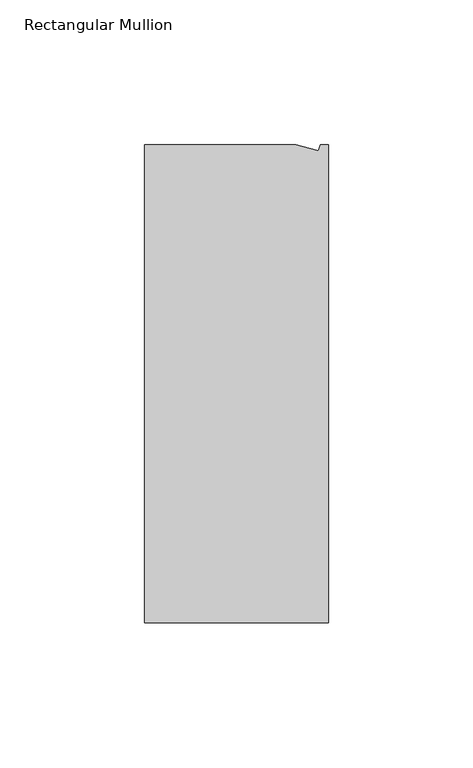
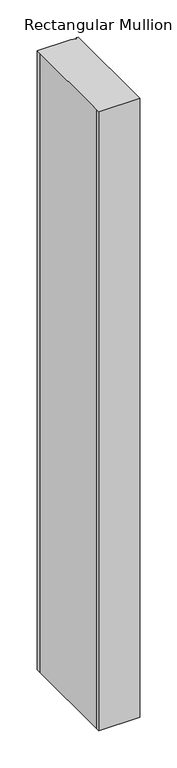
"""IFC4 building model written with IfcOpenShell, lengths in millimetres: member geometry, Rectangular Mullion."""

import ifcopenshell
import ifcopenshell.guid

model = None  # the IFC model being written
_history = None  # IfcOwnerHistory: only IFC2X3 demands one
_inside = {}  # id of a spatial element -> (the spatial element, [elements in it])
_under = {}  # id of a project, library or spatial element -> (it, [spatial elements below it])
_declared = {}  # id of a project -> (the project, [libraries it declares])
_typed = {}  # id of a type object -> (the type object, [elements of that type])
_made_of = {}  # id of a material, layer set ... -> (it, [elements and type objects made of it])


def new_model(schema):
    """Start an empty IFC model of exactly this schema.

    Asked for "IFC4X3", IfcOpenShell would pick the latest addendum, in which some entities
    have other attributes; the version numbers below select the first issue.
    IFC2X3 requires an IfcOwnerHistory on every rooted entity: one is made here for all.
    """
    global model, _history
    if schema == "IFC4X3":
        model = ifcopenshell.file(schema_version=(4, 3, 0, 0))
    else:
        model = ifcopenshell.file(schema=schema)
    _inside.clear()
    _under.clear()
    _declared.clear()
    _typed.clear()
    _made_of.clear()
    _history = None
    if model.schema == "IFC2X3":
        org = make("IfcOrganization", Name="unknown")
        user = make(
            "IfcPersonAndOrganization",
            ThePerson=make("IfcPerson", FamilyName="unknown"),
            TheOrganization=org,
        )
        app = make(
            "IfcApplication",
            ApplicationDeveloper=org,
            Version="unknown",
            ApplicationFullName="unknown",
            ApplicationIdentifier="unknown",
        )
        _history = make(
            "IfcOwnerHistory",
            OwningUser=user,
            OwningApplication=app,
            ChangeAction="ADDED",
            CreationDate=0,
        )
    return model


def make(cls, **values):
    """One entity of the class cls with the attributes given. An attribute that is None is left unset."""
    return model.create_entity(
        cls, **{name: value for name, value in values.items() if value is not None}
    )


def rooted(cls, **values):
    """An entity with a GlobalId (a new one), such as an element, a storey or a relation."""
    return make(cls, GlobalId=ifcopenshell.guid.new(), OwnerHistory=_history, **values)


def si_unit(unit_type, name, prefix=None):
    """IfcSIUnit, for example si_unit("LENGTHUNIT", "METRE", prefix="MILLI")."""
    return make("IfcSIUnit", UnitType=unit_type, Prefix=prefix, Name=name)


def assignment(units):
    """IfcUnitAssignment: the units of a project."""
    return None if units is None else make("IfcUnitAssignment", Units=units)


def point(xyz):
    """IfcCartesianPoint."""
    return None if xyz is None else make("IfcCartesianPoint", Coordinates=xyz)


def direction(xyz):
    """IfcDirection."""
    return None if xyz is None else make("IfcDirection", DirectionRatios=xyz)


def frame(location, z_axis=None, x_axis=None):
    """IfcAxis2Placement3D, a coordinate frame: its origin and axes. An axis left out is left unset."""
    return make(
        "IfcAxis2Placement3D",
        Location=point(location),
        Axis=direction(z_axis),
        RefDirection=direction(x_axis),
    )


def origin():
    """The frame at (0, 0, 0) with its axes left unset."""
    return frame((0.0, 0.0, 0.0))


def place(relative_to, where):
    """IfcLocalPlacement: puts the frame where relative to a parent placement (None: the world)."""
    return make(
        "IfcLocalPlacement", PlacementRelTo=relative_to, RelativePlacement=where
    )


def context(
    kind, dimensions, precision=None, world=None, true_north=None, identifier=None
):
    """IfcGeometricRepresentationContext, for example the 3D "Model" context."""
    return make(
        "IfcGeometricRepresentationContext",
        ContextIdentifier=identifier,
        ContextType=kind,
        CoordinateSpaceDimension=dimensions,
        Precision=precision,
        WorldCoordinateSystem=world,
        TrueNorth=true_north,
    )


def project(units=None, contexts=None):
    """IfcProject with its units and contexts."""
    return rooted(
        "IfcProject",
        Name="project",
        RepresentationContexts=contexts,
        UnitsInContext=assignment(units),
    )


def spatial(cls, under=None, at=None, **own):
    """A site, building, storey or space (cls), placed at a placement, below another one or the project."""
    s = rooted(cls, ObjectPlacement=at, **own)
    if under is not None:
        _under.setdefault(under.id(), (under, []))[1].append(s)
    return s


def polyline(points):
    """IfcPolyline through the points."""
    return make("IfcPolyline", Points=[point(p) for p in points])


def outline(outer, holes=None, kind="AREA"):
    """IfcArbitraryClosedProfileDef: a profile drawn as a closed curve; with holes, ...WithVoids."""
    if holes is None:
        return make("IfcArbitraryClosedProfileDef", ProfileType=kind, OuterCurve=outer)
    return make(
        "IfcArbitraryProfileDefWithVoids",
        ProfileType=kind,
        OuterCurve=outer,
        InnerCurves=holes,
    )


def extrude(swept, where, along, depth):
    """IfcExtrudedAreaSolid: the profile swept, set in the frame where, extruded along a direction by depth."""
    return make(
        "IfcExtrudedAreaSolid",
        SweptArea=swept,
        Position=where,
        ExtrudedDirection=direction(along),
        Depth=depth,
    )


def shape(context_of_items, identifier, shape_type, items):
    """IfcShapeRepresentation: the items that make up one representation, for example the "Body"."""
    return make(
        "IfcShapeRepresentation",
        ContextOfItems=context_of_items,
        RepresentationIdentifier=identifier,
        RepresentationType=shape_type,
        Items=items,
    )


def source(mapping_origin, context_of_items, identifier, shape_type, items):
    """IfcRepresentationMap: a shape defined once, which mapped items show again and again."""
    return make(
        "IfcRepresentationMap",
        MappingOrigin=mapping_origin,
        MappedRepresentation=shape(context_of_items, identifier, shape_type, items),
    )


def transform(
    local_origin,
    x_axis=None,
    y_axis=None,
    z_axis=None,
    scale=None,
    scale2=None,
    scale3=None,
    uniform=True,
):
    """IfcCartesianTransformationOperator3D, or its non-uniform kind. x_axis, y_axis, z_axis: its Axis1, 2, 3."""
    if uniform:
        return make(
            "IfcCartesianTransformationOperator3D",
            Axis1=direction(x_axis),
            Axis2=direction(y_axis),
            LocalOrigin=point(local_origin),
            Scale=scale,
            Axis3=direction(z_axis),
        )
    return make(
        "IfcCartesianTransformationOperator3DnonUniform",
        Axis1=direction(x_axis),
        Axis2=direction(y_axis),
        LocalOrigin=point(local_origin),
        Scale=scale,
        Axis3=direction(z_axis),
        Scale2=scale2,
        Scale3=scale3,
    )


def mapped(mapping_source, mapping_target):
    """IfcMappedItem: shows the shape of a source again, moved by a transform."""
    return make(
        "IfcMappedItem", MappingSource=mapping_source, MappingTarget=mapping_target
    )


def made_of(thing, what):
    """Note that an element or type object is made of a material, layer set ...; save() writes the relation."""
    if what is not None:
        _made_of.setdefault(what.id(), (what, []))[1].append(thing)
    return thing


def element(
    cls,
    number,
    at=None,
    inside=None,
    cuts=None,
    type_object=None,
    material=None,
    context=None,
    identifier="Body",
    shape_type=None,
    held_by="IfcProductDefinitionShape",
    body=None,
    shapes=None,
    **own,
):
    """One element of the class cls, such as IfcWall. Its Tag is "e" and its number.

    at: its placement. inside: the storey or other place that contains it. cuts: it is an
    opening in that element (IfcRelVoidsElement). A single representation is given by context,
    identifier, shape_type and body (its items); several are given by shapes. held_by: the class
    of the entity that holds the representations. save() writes the other relations.
    """
    e = rooted(cls, Tag="e%d" % number, ObjectPlacement=at, **own)
    if body is not None:
        shapes = [shape(context, identifier, shape_type, body)]
    if shapes is not None:
        e.Representation = make(held_by, Representations=shapes)
    if inside is not None:
        _inside.setdefault(inside.id(), (inside, []))[1].append(e)
    if cuts is not None:
        rooted(
            "IfcRelVoidsElement", RelatingBuildingElement=cuts, RelatedOpeningElement=e
        )
    if type_object is not None:
        _typed.setdefault(type_object.id(), (type_object, []))[1].append(e)
    return made_of(e, material)


def aggregate(whole, parts):
    """IfcRelAggregates: a whole, such as a stair, and the parts it consists of."""
    return rooted("IfcRelAggregates", RelatingObject=whole, RelatedObjects=parts)


def save(model, path):
    """Write the relations noted so far, then the file.

    IfcRelAggregates (storeys below a building ...), IfcRelContainedInSpatialStructure (elements
    in a storey), IfcRelDefinesByType, IfcRelAssociatesMaterial and IfcRelDeclares: one each for
    every whole, place, type object, material and project.
    """
    for whole, parts in _under.values():
        aggregate(whole, parts)
    for where, things in _inside.values():
        rooted(
            "IfcRelContainedInSpatialStructure",
            RelatedElements=things,
            RelatingStructure=where,
        )
    for kind, things in _typed.values():
        rooted("IfcRelDefinesByType", RelatedObjects=things, RelatingType=kind)
    for what, things in _made_of.values():
        rooted("IfcRelAssociatesMaterial", RelatedObjects=things, RelatingMaterial=what)
    for by, libraries in _declared.values():
        rooted("IfcRelDeclares", RelatingContext=by, RelatedDefinitions=libraries)
    model.write(path)


def rectangular_mullion_27ea6172(model_context):
    return source(origin(), model_context, "Body", "SweptSolid", [
        extrude(outline(polyline([(0.0, -132.5561012), (-63.5, -132.5561012), (-63.5, -126.2061012), (-63.5, 26.1938988), (-63.5, 32.5438988), (-11.1125, 32.5438988), (-3.3223696, 30.4565397), (-2.7630634, 32.5438988), (0.0, 32.5438988), (0.0, -132.5561012)])), frame((0.0, 0.0, -1016.0), z_axis=(0.0, 0.0, 1.0), x_axis=(1.0, 0.0, 0.0)), (0.0, 0.0, 1.0), 1016.0),
    ])


if __name__ == "__main__":
    model = new_model("IFC4")
    model_context = context("Model", 3, world=origin())
    ifc_project = project(units=[si_unit("LENGTHUNIT", "METRE", prefix="MILLI")], contexts=[model_context])
    site = spatial("IfcSite", under=ifc_project)
    building = spatial("IfcBuilding", under=site)
    placement = place(None, origin())
    rectangular_mullion_shape = rectangular_mullion_27ea6172(model_context)
    element("IfcMember", 1, ObjectType="Rectangular Mullion", at=placement, inside=building, context=model_context, shape_type="MappedRepresentation", body=[
        mapped(rectangular_mullion_shape, transform((0.0, 0.0, 0.0), x_axis=(1.0, 0.0, 0.0), y_axis=(0.0, 1.0, 0.0), z_axis=(0.0, 0.0, 1.0))),
    ])
    save(model, "model.ifc")
